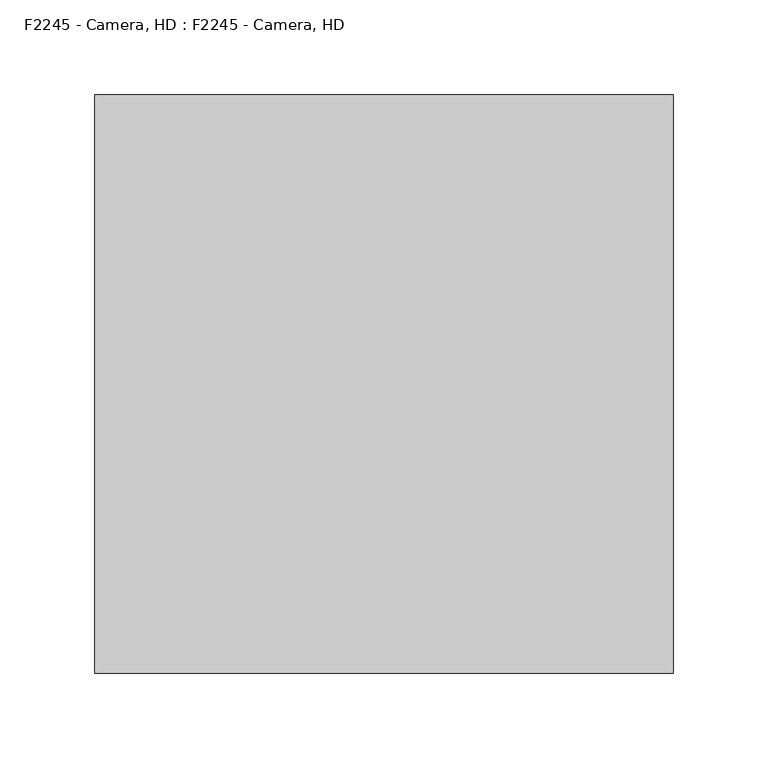
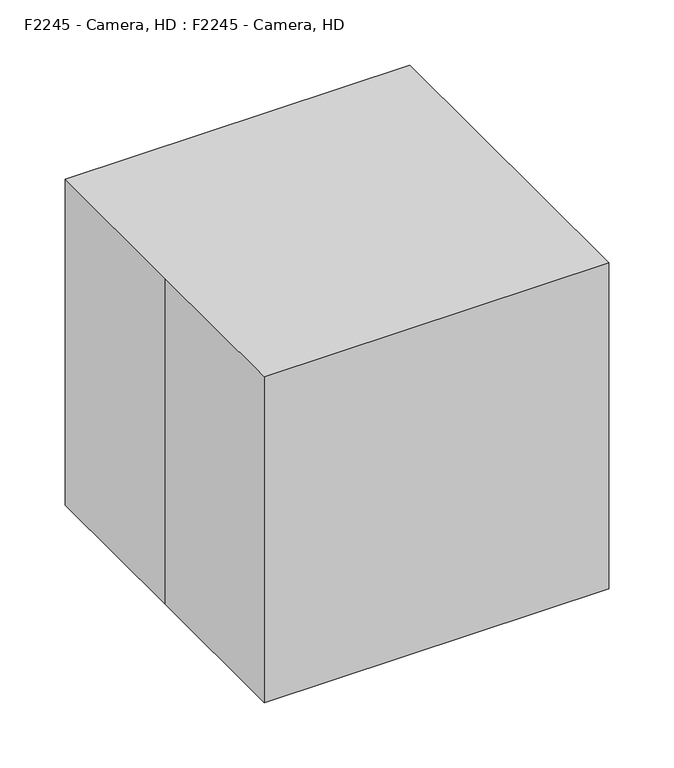
"""IFC4 building model written with IfcOpenShell, lengths in millimetres: proxy geometry, F2245 - Camera, HD : F2245 - Camera, HD."""

from ifc_helpers import new_model, si_unit, point, frame, frame_2d, origin, origin_with_axes, place, context, project, spatial, polyline, circle_curve, trimmed, segment, composite_curve, outline, extrude, source, transform, mapped, element, save


def f2245_camera_hd_f2245_camera_hd_995a6de6(model_context):
    return source(origin(), model_context, "Body", "SweptSolid", [
        extrude(outline(composite_curve([segment(trimmed(circle_curve(frame_2d((36.7498502, 48.0746823)), 25.4), [point((36.7498502, 22.6746823))], [point((36.7498502, 73.4746823))], False, "CARTESIAN"), True, "CONTINUOUS"), segment(trimmed(circle_curve(frame_2d((36.7498502, 48.0746823)), 25.4), [point((36.7498502, 73.4746823))], [point((36.7498502, 22.6746823))], False, "CARTESIAN"), True, "CONTINUOUS")], self_intersect=False)), frame((0.0, -108.4519286, 0.0), z_axis=(0.0, 1.0, 0.0), x_axis=(0.0, 0.0, 1.0)), (0.0, 0.0, 1.0), 25.1752914),
        extrude(outline(composite_curve([segment(trimmed(circle_curve(frame_2d((36.7498502, 48.0746823)), 19.05), [point((36.7498502, 29.0246823))], [point((36.7498502, 67.1246823))], False, "CARTESIAN"), True, "CONTINUOUS"), segment(trimmed(circle_curve(frame_2d((36.7498502, 48.0746823)), 19.05), [point((36.7498502, 67.1246823))], [point((36.7498502, 29.0246823))], False, "CARTESIAN"), True, "CONTINUOUS")], self_intersect=False)), frame((0.0, -83.2766372, 0.0), z_axis=(0.0, 1.0, 0.0), x_axis=(0.0, 0.0, 1.0)), (0.0, 0.0, 1.0), 32.4766372),
        extrude(outline(polyline([(101.6, 152.4), (101.6, -50.8), (0.0, -50.8), (0.0, 152.4), (101.6, 152.4)])), origin_with_axes(), (0.0, 0.0, 1.0), 76.2),
        extrude(outline(polyline([(-152.4, 152.4), (152.4, 152.4), (152.4, -152.4), (-152.4, -152.4), (-152.4, 0.0), (-152.4, 152.4)])), origin_with_axes(), (0.0, 0.0, 1.0), 304.8),
    ])


if __name__ == "__main__":
    model = new_model("IFC4")
    model_context = context("Model", 3, world=origin())
    ifc_project = project(units=[si_unit("LENGTHUNIT", "METRE", prefix="MILLI")], contexts=[model_context])
    site = spatial("IfcSite", under=ifc_project)
    building = spatial("IfcBuilding", under=site)
    placement = place(None, origin())
    f2245_camera_hd_f2245_camera_hd_shape = f2245_camera_hd_f2245_camera_hd_995a6de6(model_context)
    element("IfcBuildingElementProxy", 1, Name="F2245 - Camera, HD : F2245 - Camera, HD", ObjectType="F2245 - Camera, HD : F2245 - Camera, HD", at=placement, inside=building, context=model_context, shape_type="MappedRepresentation", body=[
        mapped(f2245_camera_hd_f2245_camera_hd_shape, transform((0.0, 0.0, 0.0), x_axis=(1.0, 0.0, 0.0), y_axis=(0.0, 1.0, 0.0), z_axis=(0.0, 0.0, 1.0))),
    ])
    save(model, "model.ifc")
